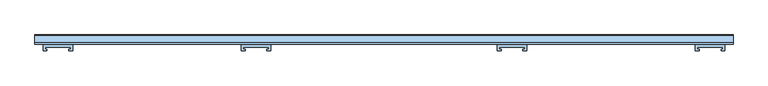
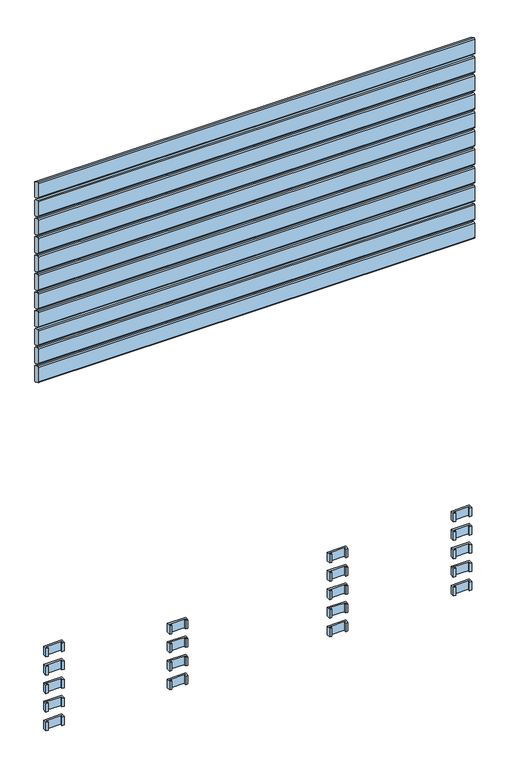
"""IFC4 building model written with IfcOpenShell, lengths in millimetres: window geometry."""

from ifc_helpers import new_model, si_unit, frame, origin, place, context, project, spatial, polyline, circle_curve, outline, extrude, source, transform, mapped, element, save
from ifc_brep_helpers import plane_surface, cylinder_surface, advanced_brep


def window_48d1b95b(model_context):
    return source(origin(), model_context, "Body", "SolidModel", [
        extrude(outline(polyline([(247.4063196, 112.1), (247.4063196, 107.9), (251.4063196, 107.9), (251.4063196, 104.1), (243.5, 104.1), (243.5, 118.0), (306.5, 118.0), (306.5, 104.1), (298.5936804, 104.1), (298.5936804, 107.9), (302.5936804, 107.9), (302.5936804, 112.1), (247.4063196, 112.1)])), frame((0.0, 0.0, 387.0), z_axis=(0.0, 0.0, 1.0), x_axis=(1.0, 0.0, 0.0)), (0.0, 0.0, 1.0), 31.0),
        extrude(outline(polyline([(-672.9063196, 112.1), (-728.0936804, 112.1), (-728.0936804, 107.9), (-724.0936804, 107.9), (-724.0936804, 104.1), (-732.0, 104.1), (-732.0, 118.0), (-669.0, 118.0), (-669.0, 104.1), (-676.9063196, 104.1), (-676.9063196, 107.9), (-672.9063196, 107.9), (-672.9063196, 112.1)])), frame((0.0, 0.0, 387.0), z_axis=(0.0, 0.0, 1.0), x_axis=(1.0, 0.0, 0.0)), (0.0, 0.0, 1.0), 31.0),
        extrude(outline(polyline([(672.9063196, 112.1), (672.9063196, 107.9), (676.9063196, 107.9), (676.9063196, 104.1), (669.0, 104.1), (669.0, 118.0), (732.0, 118.0), (732.0, 104.1), (724.0936804, 104.1), (724.0936804, 107.9), (728.0936804, 107.9), (728.0936804, 112.1), (672.9063196, 112.1)])), frame((0.0, 0.0, 387.0), z_axis=(0.0, 0.0, 1.0), x_axis=(1.0, 0.0, 0.0)), (0.0, 0.0, 1.0), 31.0),
        extrude(outline(polyline([(-302.5936804, 112.1), (-302.5936804, 107.9), (-298.5936804, 107.9), (-298.5936804, 104.1), (-306.5, 104.1), (-306.5, 118.0), (-243.5, 118.0), (-243.5, 104.1), (-251.4063196, 104.1), (-251.4063196, 107.9), (-247.4063196, 107.9), (-247.4063196, 112.1), (-302.5936804, 112.1)])), frame((0.0, 0.0, 320.0), z_axis=(0.0, 0.0, 1.0), x_axis=(1.0, 0.0, 0.0)), (0.0, 0.0, 1.0), 31.0),
        extrude(outline(polyline([(247.4063196, 112.1), (247.4063196, 107.9), (251.4063196, 107.9), (251.4063196, 104.1), (243.5, 104.1), (243.5, 118.0), (306.5, 118.0), (306.5, 104.1), (298.5936804, 104.1), (298.5936804, 107.9), (302.5936804, 107.9), (302.5936804, 112.1), (247.4063196, 112.1)])), frame((0.0, 0.0, 320.0), z_axis=(0.0, 0.0, 1.0), x_axis=(1.0, 0.0, 0.0)), (0.0, 0.0, 1.0), 31.0),
        extrude(outline(polyline([(-672.9063196, 112.1), (-728.0936804, 112.1), (-728.0936804, 107.9), (-724.0936804, 107.9), (-724.0936804, 104.1), (-732.0, 104.1), (-732.0, 118.0), (-669.0, 118.0), (-669.0, 104.1), (-676.9063196, 104.1), (-676.9063196, 107.9), (-672.9063196, 107.9), (-672.9063196, 112.1)])), frame((0.0, 0.0, 320.0), z_axis=(0.0, 0.0, 1.0), x_axis=(1.0, 0.0, 0.0)), (0.0, 0.0, 1.0), 31.0),
        extrude(outline(polyline([(672.9063196, 112.1), (672.9063196, 107.9), (676.9063196, 107.9), (676.9063196, 104.1), (669.0, 104.1), (669.0, 118.0), (732.0, 118.0), (732.0, 104.1), (724.0936804, 104.1), (724.0936804, 107.9), (728.0936804, 107.9), (728.0936804, 112.1), (672.9063196, 112.1)])), frame((0.0, 0.0, 320.0), z_axis=(0.0, 0.0, 1.0), x_axis=(1.0, 0.0, 0.0)), (0.0, 0.0, 1.0), 31.0),
        extrude(outline(polyline([(-302.5936804, 112.1), (-302.5936804, 107.9), (-298.5936804, 107.9), (-298.5936804, 104.1), (-306.5, 104.1), (-306.5, 118.0), (-243.5, 118.0), (-243.5, 104.1), (-251.4063196, 104.1), (-251.4063196, 107.9), (-247.4063196, 107.9), (-247.4063196, 112.1), (-302.5936804, 112.1)])), frame((0.0, 0.0, 253.0), z_axis=(0.0, 0.0, 1.0), x_axis=(1.0, 0.0, 0.0)), (0.0, 0.0, 1.0), 31.0),
        extrude(outline(polyline([(247.4063196, 112.1), (247.4063196, 107.9), (251.4063196, 107.9), (251.4063196, 104.1), (243.5, 104.1), (243.5, 118.0), (306.5, 118.0), (306.5, 104.1), (298.5936804, 104.1), (298.5936804, 107.9), (302.5936804, 107.9), (302.5936804, 112.1), (247.4063196, 112.1)])), frame((0.0, 0.0, 253.0), z_axis=(0.0, 0.0, 1.0), x_axis=(1.0, 0.0, 0.0)), (0.0, 0.0, 1.0), 31.0),
        extrude(outline(polyline([(-672.9063196, 112.1), (-728.0936804, 112.1), (-728.0936804, 107.9), (-724.0936804, 107.9), (-724.0936804, 104.1), (-732.0, 104.1), (-732.0, 118.0), (-669.0, 118.0), (-669.0, 104.1), (-676.9063196, 104.1), (-676.9063196, 107.9), (-672.9063196, 107.9), (-672.9063196, 112.1)])), frame((0.0, 0.0, 253.0), z_axis=(0.0, 0.0, 1.0), x_axis=(1.0, 0.0, 0.0)), (0.0, 0.0, 1.0), 31.0),
        extrude(outline(polyline([(672.9063196, 112.1), (672.9063196, 107.9), (676.9063196, 107.9), (676.9063196, 104.1), (669.0, 104.1), (669.0, 118.0), (732.0, 118.0), (732.0, 104.1), (724.0936804, 104.1), (724.0936804, 107.9), (728.0936804, 107.9), (728.0936804, 112.1), (672.9063196, 112.1)])), frame((0.0, 0.0, 253.0), z_axis=(0.0, 0.0, 1.0), x_axis=(1.0, 0.0, 0.0)), (0.0, 0.0, 1.0), 31.0),
        extrude(outline(polyline([(-302.5936804, 112.1), (-302.5936804, 107.9), (-298.5936804, 107.9), (-298.5936804, 104.1), (-306.5, 104.1), (-306.5, 118.0), (-243.5, 118.0), (-243.5, 104.1), (-251.4063196, 104.1), (-251.4063196, 107.9), (-247.4063196, 107.9), (-247.4063196, 112.1), (-302.5936804, 112.1)])), frame((0.0, 0.0, 186.0), z_axis=(0.0, 0.0, 1.0), x_axis=(1.0, 0.0, 0.0)), (0.0, 0.0, 1.0), 31.0),
        extrude(outline(polyline([(247.4063196, 112.1), (247.4063196, 107.9), (251.4063196, 107.9), (251.4063196, 104.1), (243.5, 104.1), (243.5, 118.0), (306.5, 118.0), (306.5, 104.1), (298.5936804, 104.1), (298.5936804, 107.9), (302.5936804, 107.9), (302.5936804, 112.1), (247.4063196, 112.1)])), frame((0.0, 0.0, 186.0), z_axis=(0.0, 0.0, 1.0), x_axis=(1.0, 0.0, 0.0)), (0.0, 0.0, 1.0), 31.0),
        extrude(outline(polyline([(-672.9063196, 112.1), (-728.0936804, 112.1), (-728.0936804, 107.9), (-724.0936804, 107.9), (-724.0936804, 104.1), (-732.0, 104.1), (-732.0, 118.0), (-669.0, 118.0), (-669.0, 104.1), (-676.9063196, 104.1), (-676.9063196, 107.9), (-672.9063196, 107.9), (-672.9063196, 112.1)])), frame((0.0, 0.0, 186.0), z_axis=(0.0, 0.0, 1.0), x_axis=(1.0, 0.0, 0.0)), (0.0, 0.0, 1.0), 31.0),
        extrude(outline(polyline([(672.9063196, 112.1), (672.9063196, 107.9), (676.9063196, 107.9), (676.9063196, 104.1), (669.0, 104.1), (669.0, 118.0), (732.0, 118.0), (732.0, 104.1), (724.0936804, 104.1), (724.0936804, 107.9), (728.0936804, 107.9), (728.0936804, 112.1), (672.9063196, 112.1)])), frame((0.0, 0.0, 186.0), z_axis=(0.0, 0.0, 1.0), x_axis=(1.0, 0.0, 0.0)), (0.0, 0.0, 1.0), 31.0),
        extrude(outline(polyline([(-302.5936804, 112.1), (-302.5936804, 107.9), (-298.5936804, 107.9), (-298.5936804, 104.1), (-306.5, 104.1), (-306.5, 118.0), (-243.5, 118.0), (-243.5, 104.1), (-251.4063196, 104.1), (-251.4063196, 107.9), (-247.4063196, 107.9), (-247.4063196, 112.1), (-302.5936804, 112.1)])), frame((0.0, 0.0, 118.0), z_axis=(0.0, 0.0, 1.0), x_axis=(1.0, 0.0, 0.0)), (0.0, 0.0, 1.0), 31.0),
        extrude(outline(polyline([(247.4063196, 112.1), (247.4063196, 107.9), (251.4063196, 107.9), (251.4063196, 104.1), (243.5, 104.1), (243.5, 118.0), (306.5, 118.0), (306.5, 104.1), (298.5936804, 104.1), (298.5936804, 107.9), (302.5936804, 107.9), (302.5936804, 112.1), (247.4063196, 112.1)])), frame((0.0, 0.0, 118.0), z_axis=(0.0, 0.0, 1.0), x_axis=(1.0, 0.0, 0.0)), (0.0, 0.0, 1.0), 31.0),
        extrude(outline(polyline([(-672.9063196, 112.1), (-728.0936804, 112.1), (-728.0936804, 107.9), (-724.0936804, 107.9), (-724.0936804, 104.1), (-732.0, 104.1), (-732.0, 118.0), (-669.0, 118.0), (-669.0, 104.1), (-676.9063196, 104.1), (-676.9063196, 107.9), (-672.9063196, 107.9), (-672.9063196, 112.1)])), frame((0.0, 0.0, 118.0), z_axis=(0.0, 0.0, 1.0), x_axis=(1.0, 0.0, 0.0)), (0.0, 0.0, 1.0), 31.0),
        extrude(outline(polyline([(672.9063196, 112.1), (672.9063196, 107.9), (676.9063196, 107.9), (676.9063196, 104.1), (669.0, 104.1), (669.0, 118.0), (732.0, 118.0), (732.0, 104.1), (724.0936804, 104.1), (724.0936804, 107.9), (728.0936804, 107.9), (728.0936804, 112.1), (672.9063196, 112.1)])), frame((0.0, 0.0, 118.0), z_axis=(0.0, 0.0, 1.0), x_axis=(1.0, 0.0, 0.0)), (0.0, 0.0, 1.0), 31.0),
        advanced_brep(
        [(750.0, 118.0028013, 2054.5270549), (750.0, 119.7349465, 2051.8081315), (750.0, 133.7322609, 2045.2810766), (750.0, 138.0, 2047.9736586), (750.0, 138.0, 2100.574129), (750.0, 136.9038327, 2102.8926244), (750.0, 122.1873858, 2109.7550163), (750.0, 118.0, 2107.0), (-750.0, 118.0, 2054.5270549), (-750.0, 118.0, 2107.0), (-750.0, 122.1873858, 2109.7550163), (-750.0, 136.9038327, 2102.8926244), (-750.0, 138.0, 2100.574129), (-750.0, 138.0, 2047.9736586), (-750.0, 133.7322609, 2045.2810766), (-750.0, 119.7349465, 2051.8081315)],
        [
            (0, 1, circle_curve(frame((750.0, 121.0028013, 2054.5270549), z_axis=(1.0, 0.0, 0.0), x_axis=(0.0, -0.422245314833475, -0.9064816016341312)), 3.0)),
            (1, 2),
            (2, 3, circle_curve(frame((750.0, 135.0001156, 2048.0), z_axis=(1.0, 0.0, 0.0), x_axis=(0.0, 1.0, 0.0)), 3.0)),
            (3, 4),
            (4, 5, circle_curve(frame((750.0, 135.0, 2100.574129), z_axis=(1.0, 0.0, 0.0), x_axis=(0.0, 0.4172998244673827, 0.908768868579625)), 3.0)),
            (5, 6),
            (6, 7, circle_curve(frame((750.0, 121.0, 2107.0), z_axis=(1.0, 0.0, 0.0), x_axis=(0.0, -1.0, 0.0)), 3.0)),
            (7, 0),
            (8, 9),
            (9, 10, circle_curve(frame((-750.0, 121.0, 2107.0), z_axis=(-1.0, 0.0, 0.0), x_axis=(0.0, -1.0, 0.0)), 3.0)),
            (10, 11),
            (11, 12, circle_curve(frame((-750.0, 135.0, 2100.574129), z_axis=(-1.0, 0.0, 0.0), x_axis=(0.0, 0.4172998244673827, 0.908768868579625)), 3.0)),
            (12, 13),
            (13, 14, circle_curve(frame((-750.0, 135.0001156, 2048.0), z_axis=(-1.0, 0.0, 0.0), x_axis=(0.0, 1.0, 0.0)), 3.0)),
            (14, 15),
            (15, 8, circle_curve(frame((-750.0, 121.0028013, 2054.5270549), z_axis=(-1.0, 0.0, 0.0), x_axis=(0.0, -0.422245314833475, -0.9064816016341312)), 3.0)),
            (0, 8),
            (15, 1),
            (14, 2),
            (13, 3),
            (12, 4),
            (11, 5),
            (10, 6),
            (9, 7),
        ],
        [
            plane_surface(frame((750.0, 100.0, 2077.5), z_axis=(1.0, 0.0, 0.0), x_axis=(0.0, 0.0, 1.0))),
            plane_surface(frame((-750.0, 100.0, 2077.5), z_axis=(-1.0, 0.0, 0.0), x_axis=(0.0, 0.0, 1.0))),
            cylinder_surface(frame((750.0, 121.0028013, 2054.5270549), z_axis=(1.0, 0.0, 0.0), x_axis=(0.0, -0.422245314833475, -0.9064816016341312)), 3.0),
            plane_surface(frame((750.0, 119.7349465, 2051.8081315), z_axis=(0.0, -0.4226182617407, -0.9063077870366497), x_axis=(-1.0, 0.0, 0.0))),
            cylinder_surface(frame((750.0, 135.0001156, 2048.0), z_axis=(1.0, 0.0, 0.0), x_axis=(0.0, 1.0, 0.0)), 3.0),
            plane_surface(frame((750.0, 138.0, 2047.9736586), z_axis=(0.0, 1.0, 0.0), x_axis=(-1.0, 0.0, 0.0))),
            cylinder_surface(frame((750.0, 135.0, 2100.574129), z_axis=(1.0000000000000002, 0.0, 0.0), x_axis=(0.0, 0.4172998244673827, 0.908768868579625)), 3.0),
            plane_surface(frame((750.0, 136.9038327, 2102.8926244), z_axis=(0.0, 0.4226182617406934, 0.9063077870366529), x_axis=(-1.0, 0.0, 0.0))),
            cylinder_surface(frame((750.0, 121.0, 2107.0), z_axis=(1.0, 0.0, 0.0), x_axis=(0.0, -1.0, 0.0)), 3.0),
            plane_surface(frame((750.0, 118.0, 2107.0), z_axis=(0.0, -1.0, 0.0), x_axis=(-1.0, 0.0, 0.0))),
        ],
        [
            (0, [[1, 2, 3, 4, 5, 6, 7, 8]]),
            (1, [[9, 10, 11, 12, 13, 14, 15, 16]]),
            (2, [[-1, 17, -16, 18]]),
            (3, [[-2, -18, -15, 19]]),
            (4, [[-3, -19, -14, 20]]),
            (5, [[-4, -20, -13, 21]]),
            (6, [[-5, -21, -12, 22]]),
            (7, [[-6, -22, -11, 23]]),
            (8, [[-7, -23, -10, 24]]),
            (9, [[-8, -24, -9, -17]]),
        ],
    ),
        advanced_brep(
        [(750.0, 118.0028013, 1987.5270549), (750.0, 119.7349465, 1984.8081315), (750.0, 133.7322609, 1978.2810766), (750.0, 138.0, 1980.9736586), (750.0, 138.0, 2033.574129), (750.0, 136.9038327, 2035.8926244), (750.0, 122.1873858, 2042.7550163), (750.0, 118.0, 2040.0), (-750.0, 118.0, 1987.5270549), (-750.0, 118.0, 2040.0), (-750.0, 122.1873858, 2042.7550163), (-750.0, 136.9038327, 2035.8926244), (-750.0, 138.0, 2033.574129), (-750.0, 138.0, 1980.9736586), (-750.0, 133.7322609, 1978.2810766), (-750.0, 119.7349465, 1984.8081315)],
        [
            (0, 1, circle_curve(frame((750.0, 121.0028013, 1987.5270549), z_axis=(1.0, 0.0, 0.0), x_axis=(0.0, -0.422245314833475, -0.9064816016341312)), 3.0)),
            (1, 2),
            (2, 3, circle_curve(frame((750.0, 135.0001156, 1981.0), z_axis=(1.0, 0.0, 0.0), x_axis=(0.0, 1.0, 0.0)), 3.0)),
            (3, 4),
            (4, 5, circle_curve(frame((750.0, 135.0, 2033.574129), z_axis=(1.0, 0.0, 0.0), x_axis=(0.0, 0.4172998244673827, 0.908768868579625)), 3.0)),
            (5, 6),
            (6, 7, circle_curve(frame((750.0, 121.0, 2040.0), z_axis=(1.0, 0.0, 0.0), x_axis=(0.0, -1.0, 0.0)), 3.0)),
            (7, 0),
            (8, 9),
            (9, 10, circle_curve(frame((-750.0, 121.0, 2040.0), z_axis=(-1.0, 0.0, 0.0), x_axis=(0.0, -1.0, 0.0)), 3.0)),
            (10, 11),
            (11, 12, circle_curve(frame((-750.0, 135.0, 2033.574129), z_axis=(-1.0, 0.0, 0.0), x_axis=(0.0, 0.4172998244673827, 0.908768868579625)), 3.0)),
            (12, 13),
            (13, 14, circle_curve(frame((-750.0, 135.0001156, 1981.0), z_axis=(-1.0, 0.0, 0.0), x_axis=(0.0, 1.0, 0.0)), 3.0)),
            (14, 15),
            (15, 8, circle_curve(frame((-750.0, 121.0028013, 1987.5270549), z_axis=(-1.0, 0.0, 0.0), x_axis=(0.0, -0.422245314833475, -0.9064816016341312)), 3.0)),
            (0, 8),
            (15, 1),
            (14, 2),
            (13, 3),
            (12, 4),
            (11, 5),
            (10, 6),
            (9, 7),
        ],
        [
            plane_surface(frame((750.0, 100.0, 2010.5), z_axis=(1.0, 0.0, 0.0), x_axis=(0.0, 0.0, 1.0))),
            plane_surface(frame((-750.0, 100.0, 2010.5), z_axis=(-1.0, 0.0, 0.0), x_axis=(0.0, 0.0, 1.0))),
            cylinder_surface(frame((750.0, 121.0028013, 1987.5270549), z_axis=(1.0, 0.0, 0.0), x_axis=(0.0, -0.422245314833475, -0.9064816016341312)), 3.0),
            plane_surface(frame((750.0, 119.7349465, 1984.8081315), z_axis=(0.0, -0.4226182617407, -0.9063077870366497), x_axis=(-1.0, 0.0, 0.0))),
            cylinder_surface(frame((750.0, 135.0001156, 1981.0), z_axis=(1.0, 0.0, 0.0), x_axis=(0.0, 1.0, 0.0)), 3.0),
            plane_surface(frame((750.0, 138.0, 1980.9736586), z_axis=(0.0, 1.0, 0.0), x_axis=(-1.0, 0.0, 0.0))),
            cylinder_surface(frame((750.0, 135.0, 2033.574129), z_axis=(1.0000000000000002, 0.0, 0.0), x_axis=(0.0, 0.4172998244673827, 0.908768868579625)), 3.0),
            plane_surface(frame((750.0, 136.9038327, 2035.8926244), z_axis=(0.0, 0.4226182617406934, 0.9063077870366529), x_axis=(-1.0, 0.0, 0.0))),
            cylinder_surface(frame((750.0, 121.0, 2040.0), z_axis=(1.0, 0.0, 0.0), x_axis=(0.0, -1.0, 0.0)), 3.0),
            plane_surface(frame((750.0, 118.0, 2040.0), z_axis=(0.0, -1.0, 0.0), x_axis=(-1.0, 0.0, 0.0))),
        ],
        [
            (0, [[1, 2, 3, 4, 5, 6, 7, 8]]),
            (1, [[9, 10, 11, 12, 13, 14, 15, 16]]),
            (2, [[-1, 17, -16, 18]]),
            (3, [[-2, -18, -15, 19]]),
            (4, [[-3, -19, -14, 20]]),
            (5, [[-4, -20, -13, 21]]),
            (6, [[-5, -21, -12, 22]]),
            (7, [[-6, -22, -11, 23]]),
            (8, [[-7, -23, -10, 24]]),
            (9, [[-8, -24, -9, -17]]),
        ],
    ),
        advanced_brep(
        [(750.0, 118.0028013, 1920.5270549), (750.0, 119.7349465, 1917.8081315), (750.0, 133.7322609, 1911.2810766), (750.0, 138.0, 1913.9736586), (750.0, 138.0, 1966.574129), (750.0, 136.9038327, 1968.8926244), (750.0, 122.1873858, 1975.7550163), (750.0, 118.0, 1973.0), (-750.0, 118.0, 1920.5270549), (-750.0, 118.0, 1973.0), (-750.0, 122.1873858, 1975.7550163), (-750.0, 136.9038327, 1968.8926244), (-750.0, 138.0, 1966.574129), (-750.0, 138.0, 1913.9736586), (-750.0, 133.7322609, 1911.2810766), (-750.0, 119.7349465, 1917.8081315)],
        [
            (0, 1, circle_curve(frame((750.0, 121.0028013, 1920.5270549), z_axis=(1.0, 0.0, 0.0), x_axis=(0.0, -0.422245314833475, -0.9064816016341312)), 3.0)),
            (1, 2),
            (2, 3, circle_curve(frame((750.0, 135.0001156, 1914.0), z_axis=(1.0, 0.0, 0.0), x_axis=(0.0, 1.0, 0.0)), 3.0)),
            (3, 4),
            (4, 5, circle_curve(frame((750.0, 135.0, 1966.574129), z_axis=(1.0, 0.0, 0.0), x_axis=(0.0, 0.4172998244673827, 0.908768868579625)), 3.0)),
            (5, 6),
            (6, 7, circle_curve(frame((750.0, 121.0, 1973.0), z_axis=(1.0, 0.0, 0.0), x_axis=(0.0, -1.0, 0.0)), 3.0)),
            (7, 0),
            (8, 9),
            (9, 10, circle_curve(frame((-750.0, 121.0, 1973.0), z_axis=(-1.0, 0.0, 0.0), x_axis=(0.0, -1.0, 0.0)), 3.0)),
            (10, 11),
            (11, 12, circle_curve(frame((-750.0, 135.0, 1966.574129), z_axis=(-1.0, 0.0, 0.0), x_axis=(0.0, 0.4172998244673827, 0.908768868579625)), 3.0)),
            (12, 13),
            (13, 14, circle_curve(frame((-750.0, 135.0001156, 1914.0), z_axis=(-1.0, 0.0, 0.0), x_axis=(0.0, 1.0, 0.0)), 3.0)),
            (14, 15),
            (15, 8, circle_curve(frame((-750.0, 121.0028013, 1920.5270549), z_axis=(-1.0, 0.0, 0.0), x_axis=(0.0, -0.422245314833475, -0.9064816016341312)), 3.0)),
            (0, 8),
            (15, 1),
            (14, 2),
            (13, 3),
            (12, 4),
            (11, 5),
            (10, 6),
            (9, 7),
        ],
        [
            plane_surface(frame((750.0, 100.0, 1943.5), z_axis=(1.0, 0.0, 0.0), x_axis=(0.0, 0.0, 1.0))),
            plane_surface(frame((-750.0, 100.0, 1943.5), z_axis=(-1.0, 0.0, 0.0), x_axis=(0.0, 0.0, 1.0))),
            cylinder_surface(frame((750.0, 121.0028013, 1920.5270549), z_axis=(1.0, 0.0, 0.0), x_axis=(0.0, -0.422245314833475, -0.9064816016341312)), 3.0),
            plane_surface(frame((750.0, 119.7349465, 1917.8081315), z_axis=(0.0, -0.4226182617407, -0.9063077870366497), x_axis=(-1.0, 0.0, 0.0))),
            cylinder_surface(frame((750.0, 135.0001156, 1914.0), z_axis=(1.0, 0.0, 0.0), x_axis=(0.0, 1.0, 0.0)), 3.0),
            plane_surface(frame((750.0, 138.0, 1913.9736586), z_axis=(0.0, 1.0, 0.0), x_axis=(-1.0, 0.0, 0.0))),
            cylinder_surface(frame((750.0, 135.0, 1966.574129), z_axis=(1.0000000000000002, 0.0, 0.0), x_axis=(0.0, 0.4172998244673827, 0.908768868579625)), 3.0),
            plane_surface(frame((750.0, 136.9038327, 1968.8926244), z_axis=(0.0, 0.4226182617406934, 0.9063077870366529), x_axis=(-1.0, 0.0, 0.0))),
            cylinder_surface(frame((750.0, 121.0, 1973.0), z_axis=(1.0, 0.0, 0.0), x_axis=(0.0, -1.0, 0.0)), 3.0),
            plane_surface(frame((750.0, 118.0, 1973.0), z_axis=(0.0, -1.0, 0.0), x_axis=(-1.0, 0.0, 0.0))),
        ],
        [
            (0, [[1, 2, 3, 4, 5, 6, 7, 8]]),
            (1, [[9, 10, 11, 12, 13, 14, 15, 16]]),
            (2, [[-1, 17, -16, 18]]),
            (3, [[-2, -18, -15, 19]]),
            (4, [[-3, -19, -14, 20]]),
            (5, [[-4, -20, -13, 21]]),
            (6, [[-5, -21, -12, 22]]),
            (7, [[-6, -22, -11, 23]]),
            (8, [[-7, -23, -10, 24]]),
            (9, [[-8, -24, -9, -17]]),
        ],
    ),
        advanced_brep(
        [(750.0, 118.0028013, 1853.5270549), (750.0, 119.7349465, 1850.8081315), (750.0, 133.7322609, 1844.2810766), (750.0, 138.0, 1846.9736586), (750.0, 138.0, 1899.574129), (750.0, 136.9038327, 1901.8926244), (750.0, 122.1873858, 1908.7550163), (750.0, 118.0, 1906.0), (-750.0, 118.0, 1853.5270549), (-750.0, 118.0, 1906.0), (-750.0, 122.1873858, 1908.7550163), (-750.0, 136.9038327, 1901.8926244), (-750.0, 138.0, 1899.574129), (-750.0, 138.0, 1846.9736586), (-750.0, 133.7322609, 1844.2810766), (-750.0, 119.7349465, 1850.8081315)],
        [
            (0, 1, circle_curve(frame((750.0, 121.0028013, 1853.5270549), z_axis=(1.0, 0.0, 0.0), x_axis=(0.0, -0.422245314833475, -0.9064816016341312)), 3.0)),
            (1, 2),
            (2, 3, circle_curve(frame((750.0, 135.0001156, 1847.0), z_axis=(1.0, 0.0, 0.0), x_axis=(0.0, 1.0, 0.0)), 3.0)),
            (3, 4),
            (4, 5, circle_curve(frame((750.0, 135.0, 1899.574129), z_axis=(1.0, 0.0, 0.0), x_axis=(0.0, 0.4172998244673827, 0.908768868579625)), 3.0)),
            (5, 6),
            (6, 7, circle_curve(frame((750.0, 121.0, 1906.0), z_axis=(1.0, 0.0, 0.0), x_axis=(0.0, -1.0, 0.0)), 3.0)),
            (7, 0),
            (8, 9),
            (9, 10, circle_curve(frame((-750.0, 121.0, 1906.0), z_axis=(-1.0, 0.0, 0.0), x_axis=(0.0, -1.0, 0.0)), 3.0)),
            (10, 11),
            (11, 12, circle_curve(frame((-750.0, 135.0, 1899.574129), z_axis=(-1.0, 0.0, 0.0), x_axis=(0.0, 0.4172998244673827, 0.908768868579625)), 3.0)),
            (12, 13),
            (13, 14, circle_curve(frame((-750.0, 135.0001156, 1847.0), z_axis=(-1.0, 0.0, 0.0), x_axis=(0.0, 1.0, 0.0)), 3.0)),
            (14, 15),
            (15, 8, circle_curve(frame((-750.0, 121.0028013, 1853.5270549), z_axis=(-1.0, 0.0, 0.0), x_axis=(0.0, -0.422245314833475, -0.9064816016341312)), 3.0)),
            (0, 8),
            (15, 1),
            (14, 2),
            (13, 3),
            (12, 4),
            (11, 5),
            (10, 6),
            (9, 7),
        ],
        [
            plane_surface(frame((750.0, 100.0, 1876.5), z_axis=(1.0, 0.0, 0.0), x_axis=(0.0, 0.0, 1.0))),
            plane_surface(frame((-750.0, 100.0, 1876.5), z_axis=(-1.0, 0.0, 0.0), x_axis=(0.0, 0.0, 1.0))),
            cylinder_surface(frame((750.0, 121.0028013, 1853.5270549), z_axis=(1.0, 0.0, 0.0), x_axis=(0.0, -0.422245314833475, -0.9064816016341312)), 3.0),
            plane_surface(frame((750.0, 119.7349465, 1850.8081315), z_axis=(0.0, -0.4226182617407, -0.9063077870366497), x_axis=(-1.0, 0.0, 0.0))),
            cylinder_surface(frame((750.0, 135.0001156, 1847.0), z_axis=(1.0, 0.0, 0.0), x_axis=(0.0, 1.0, 0.0)), 3.0),
            plane_surface(frame((750.0, 138.0, 1846.9736586), z_axis=(0.0, 1.0, 0.0), x_axis=(-1.0, 0.0, 0.0))),
            cylinder_surface(frame((750.0, 135.0, 1899.574129), z_axis=(1.0000000000000002, 0.0, 0.0), x_axis=(0.0, 0.4172998244673827, 0.908768868579625)), 3.0),
            plane_surface(frame((750.0, 136.9038327, 1901.8926244), z_axis=(0.0, 0.4226182617406934, 0.9063077870366529), x_axis=(-1.0, 0.0, 0.0))),
            cylinder_surface(frame((750.0, 121.0, 1906.0), z_axis=(1.0, 0.0, 0.0), x_axis=(0.0, -1.0, 0.0)), 3.0),
            plane_surface(frame((750.0, 118.0, 1906.0), z_axis=(0.0, -1.0, 0.0), x_axis=(-1.0, 0.0, 0.0))),
        ],
        [
            (0, [[1, 2, 3, 4, 5, 6, 7, 8]]),
            (1, [[9, 10, 11, 12, 13, 14, 15, 16]]),
            (2, [[-1, 17, -16, 18]]),
            (3, [[-2, -18, -15, 19]]),
            (4, [[-3, -19, -14, 20]]),
            (5, [[-4, -20, -13, 21]]),
            (6, [[-5, -21, -12, 22]]),
            (7, [[-6, -22, -11, 23]]),
            (8, [[-7, -23, -10, 24]]),
            (9, [[-8, -24, -9, -17]]),
        ],
    ),
        advanced_brep(
        [(750.0, 118.0028013, 1786.5270549), (750.0, 119.7349465, 1783.8081315), (750.0, 133.7322609, 1777.2810766), (750.0, 138.0, 1779.9736586), (750.0, 138.0, 1832.574129), (750.0, 136.9038327, 1834.8926244), (750.0, 122.1873858, 1841.7550163), (750.0, 118.0, 1839.0), (-750.0, 118.0, 1786.5270549), (-750.0, 118.0, 1839.0), (-750.0, 122.1873858, 1841.7550163), (-750.0, 136.9038327, 1834.8926244), (-750.0, 138.0, 1832.574129), (-750.0, 138.0, 1779.9736586), (-750.0, 133.7322609, 1777.2810766), (-750.0, 119.7349465, 1783.8081315)],
        [
            (0, 1, circle_curve(frame((750.0, 121.0028013, 1786.5270549), z_axis=(1.0, 0.0, 0.0), x_axis=(0.0, -0.422245314833475, -0.9064816016341312)), 3.0)),
            (1, 2),
            (2, 3, circle_curve(frame((750.0, 135.0001156, 1780.0), z_axis=(1.0, 0.0, 0.0), x_axis=(0.0, 1.0, 0.0)), 3.0)),
            (3, 4),
            (4, 5, circle_curve(frame((750.0, 135.0, 1832.574129), z_axis=(1.0, 0.0, 0.0), x_axis=(0.0, 0.4172998244673827, 0.908768868579625)), 3.0)),
            (5, 6),
            (6, 7, circle_curve(frame((750.0, 121.0, 1839.0), z_axis=(1.0, 0.0, 0.0), x_axis=(0.0, -1.0, 0.0)), 3.0)),
            (7, 0),
            (8, 9),
            (9, 10, circle_curve(frame((-750.0, 121.0, 1839.0), z_axis=(-1.0, 0.0, 0.0), x_axis=(0.0, -1.0, 0.0)), 3.0)),
            (10, 11),
            (11, 12, circle_curve(frame((-750.0, 135.0, 1832.574129), z_axis=(-1.0, 0.0, 0.0), x_axis=(0.0, 0.4172998244673827, 0.908768868579625)), 3.0)),
            (12, 13),
            (13, 14, circle_curve(frame((-750.0, 135.0001156, 1780.0), z_axis=(-1.0, 0.0, 0.0), x_axis=(0.0, 1.0, 0.0)), 3.0)),
            (14, 15),
            (15, 8, circle_curve(frame((-750.0, 121.0028013, 1786.5270549), z_axis=(-1.0, 0.0, 0.0), x_axis=(0.0, -0.422245314833475, -0.9064816016341312)), 3.0)),
            (0, 8),
            (15, 1),
            (14, 2),
            (13, 3),
            (12, 4),
            (11, 5),
            (10, 6),
            (9, 7),
        ],
        [
            plane_surface(frame((750.0, 100.0, 1809.5), z_axis=(1.0, 0.0, 0.0), x_axis=(0.0, 0.0, 1.0))),
            plane_surface(frame((-750.0, 100.0, 1809.5), z_axis=(-1.0, 0.0, 0.0), x_axis=(0.0, 0.0, 1.0))),
            cylinder_surface(frame((750.0, 121.0028013, 1786.5270549), z_axis=(1.0, 0.0, 0.0), x_axis=(0.0, -0.422245314833475, -0.9064816016341312)), 3.0),
            plane_surface(frame((750.0, 119.7349465, 1783.8081315), z_axis=(0.0, -0.4226182617407, -0.9063077870366497), x_axis=(-1.0, 0.0, 0.0))),
            cylinder_surface(frame((750.0, 135.0001156, 1780.0), z_axis=(1.0, 0.0, 0.0), x_axis=(0.0, 1.0, 0.0)), 3.0),
            plane_surface(frame((750.0, 138.0, 1779.9736586), z_axis=(0.0, 1.0, 0.0), x_axis=(-1.0, 0.0, 0.0))),
            cylinder_surface(frame((750.0, 135.0, 1832.574129), z_axis=(1.0000000000000002, 0.0, 0.0), x_axis=(0.0, 0.4172998244673827, 0.908768868579625)), 3.0),
            plane_surface(frame((750.0, 136.9038327, 1834.8926244), z_axis=(0.0, 0.4226182617406934, 0.9063077870366529), x_axis=(-1.0, 0.0, 0.0))),
            cylinder_surface(frame((750.0, 121.0, 1839.0), z_axis=(1.0, 0.0, 0.0), x_axis=(0.0, -1.0, 0.0)), 3.0),
            plane_surface(frame((750.0, 118.0, 1839.0), z_axis=(0.0, -1.0, 0.0), x_axis=(-1.0, 0.0, 0.0))),
        ],
        [
            (0, [[1, 2, 3, 4, 5, 6, 7, 8]]),
            (1, [[9, 10, 11, 12, 13, 14, 15, 16]]),
            (2, [[-1, 17, -16, 18]]),
            (3, [[-2, -18, -15, 19]]),
            (4, [[-3, -19, -14, 20]]),
            (5, [[-4, -20, -13, 21]]),
            (6, [[-5, -21, -12, 22]]),
            (7, [[-6, -22, -11, 23]]),
            (8, [[-7, -23, -10, 24]]),
            (9, [[-8, -24, -9, -17]]),
        ],
    ),
        advanced_brep(
        [(750.0, 118.0028013, 1719.5270549), (750.0, 119.7349465, 1716.8081315), (750.0, 133.7322609, 1710.2810766), (750.0, 138.0, 1712.9736586), (750.0, 138.0, 1765.574129), (750.0, 136.9038327, 1767.8926244), (750.0, 122.1873858, 1774.7550163), (750.0, 118.0, 1772.0), (-750.0, 118.0, 1719.5270549), (-750.0, 118.0, 1772.0), (-750.0, 122.1873858, 1774.7550163), (-750.0, 136.9038327, 1767.8926244), (-750.0, 138.0, 1765.574129), (-750.0, 138.0, 1712.9736586), (-750.0, 133.7322609, 1710.2810766), (-750.0, 119.7349465, 1716.8081315)],
        [
            (0, 1, circle_curve(frame((750.0, 121.0028013, 1719.5270549), z_axis=(1.0, 0.0, 0.0), x_axis=(0.0, -0.422245314833475, -0.9064816016341312)), 3.0)),
            (1, 2),
            (2, 3, circle_curve(frame((750.0, 135.0001156, 1713.0), z_axis=(1.0, 0.0, 0.0), x_axis=(0.0, 1.0, 0.0)), 3.0)),
            (3, 4),
            (4, 5, circle_curve(frame((750.0, 135.0, 1765.574129), z_axis=(1.0, 0.0, 0.0), x_axis=(0.0, 0.4172998244673827, 0.908768868579625)), 3.0)),
            (5, 6),
            (6, 7, circle_curve(frame((750.0, 121.0, 1772.0), z_axis=(1.0, 0.0, 0.0), x_axis=(0.0, -1.0, 0.0)), 3.0)),
            (7, 0),
            (8, 9),
            (9, 10, circle_curve(frame((-750.0, 121.0, 1772.0), z_axis=(-1.0, 0.0, 0.0), x_axis=(0.0, -1.0, 0.0)), 3.0)),
            (10, 11),
            (11, 12, circle_curve(frame((-750.0, 135.0, 1765.574129), z_axis=(-1.0, 0.0, 0.0), x_axis=(0.0, 0.4172998244673827, 0.908768868579625)), 3.0)),
            (12, 13),
            (13, 14, circle_curve(frame((-750.0, 135.0001156, 1713.0), z_axis=(-1.0, 0.0, 0.0), x_axis=(0.0, 1.0, 0.0)), 3.0)),
            (14, 15),
            (15, 8, circle_curve(frame((-750.0, 121.0028013, 1719.5270549), z_axis=(-1.0, 0.0, 0.0), x_axis=(0.0, -0.422245314833475, -0.9064816016341312)), 3.0)),
            (0, 8),
            (15, 1),
            (14, 2),
            (13, 3),
            (12, 4),
            (11, 5),
            (10, 6),
            (9, 7),
        ],
        [
            plane_surface(frame((750.0, 100.0, 1742.5), z_axis=(1.0, 0.0, 0.0), x_axis=(0.0, 0.0, 1.0))),
            plane_surface(frame((-750.0, 100.0, 1742.5), z_axis=(-1.0, 0.0, 0.0), x_axis=(0.0, 0.0, 1.0))),
            cylinder_surface(frame((750.0, 121.0028013, 1719.5270549), z_axis=(1.0, 0.0, 0.0), x_axis=(0.0, -0.422245314833475, -0.9064816016341312)), 3.0),
            plane_surface(frame((750.0, 119.7349465, 1716.8081315), z_axis=(0.0, -0.4226182617407, -0.9063077870366497), x_axis=(-1.0, 0.0, 0.0))),
            cylinder_surface(frame((750.0, 135.0001156, 1713.0), z_axis=(1.0, 0.0, 0.0), x_axis=(0.0, 1.0, 0.0)), 3.0),
            plane_surface(frame((750.0, 138.0, 1712.9736586), z_axis=(0.0, 1.0, 0.0), x_axis=(-1.0, 0.0, 0.0))),
            cylinder_surface(frame((750.0, 135.0, 1765.574129), z_axis=(1.0000000000000002, 0.0, 0.0), x_axis=(0.0, 0.4172998244673827, 0.908768868579625)), 3.0),
            plane_surface(frame((750.0, 136.9038327, 1767.8926244), z_axis=(0.0, 0.4226182617406934, 0.9063077870366529), x_axis=(-1.0, 0.0, 0.0))),
            cylinder_surface(frame((750.0, 121.0, 1772.0), z_axis=(1.0, 0.0, 0.0), x_axis=(0.0, -1.0, 0.0)), 3.0),
            plane_surface(frame((750.0, 118.0, 1772.0), z_axis=(0.0, -1.0, 0.0), x_axis=(-1.0, 0.0, 0.0))),
        ],
        [
            (0, [[1, 2, 3, 4, 5, 6, 7, 8]]),
            (1, [[9, 10, 11, 12, 13, 14, 15, 16]]),
            (2, [[-1, 17, -16, 18]]),
            (3, [[-2, -18, -15, 19]]),
            (4, [[-3, -19, -14, 20]]),
            (5, [[-4, -20, -13, 21]]),
            (6, [[-5, -21, -12, 22]]),
            (7, [[-6, -22, -11, 23]]),
            (8, [[-7, -23, -10, 24]]),
            (9, [[-8, -24, -9, -17]]),
        ],
    ),
        advanced_brep(
        [(750.0, 118.0028013, 1652.5270549), (750.0, 119.7349465, 1649.8081315), (750.0, 133.7322609, 1643.2810766), (750.0, 138.0, 1645.9736586), (750.0, 138.0, 1698.574129), (750.0, 136.9038327, 1700.8926244), (750.0, 122.1873858, 1707.7550163), (750.0, 118.0, 1705.0), (-750.0, 118.0, 1652.5270549), (-750.0, 118.0, 1705.0), (-750.0, 122.1873858, 1707.7550163), (-750.0, 136.9038327, 1700.8926244), (-750.0, 138.0, 1698.574129), (-750.0, 138.0, 1645.9736586), (-750.0, 133.7322609, 1643.2810766), (-750.0, 119.7349465, 1649.8081315)],
        [
            (0, 1, circle_curve(frame((750.0, 121.0028013, 1652.5270549), z_axis=(1.0, 0.0, 0.0), x_axis=(0.0, -0.422245314833475, -0.9064816016341312)), 3.0)),
            (1, 2),
            (2, 3, circle_curve(frame((750.0, 135.0001156, 1646.0), z_axis=(1.0, 0.0, 0.0), x_axis=(0.0, 1.0, 0.0)), 3.0)),
            (3, 4),
            (4, 5, circle_curve(frame((750.0, 135.0, 1698.574129), z_axis=(1.0, 0.0, 0.0), x_axis=(0.0, 0.4172998244673827, 0.908768868579625)), 3.0)),
            (5, 6),
            (6, 7, circle_curve(frame((750.0, 121.0, 1705.0), z_axis=(1.0, 0.0, 0.0), x_axis=(0.0, -1.0, 0.0)), 3.0)),
            (7, 0),
            (8, 9),
            (9, 10, circle_curve(frame((-750.0, 121.0, 1705.0), z_axis=(-1.0, 0.0, 0.0), x_axis=(0.0, -1.0, 0.0)), 3.0)),
            (10, 11),
            (11, 12, circle_curve(frame((-750.0, 135.0, 1698.574129), z_axis=(-1.0, 0.0, 0.0), x_axis=(0.0, 0.4172998244673827, 0.908768868579625)), 3.0)),
            (12, 13),
            (13, 14, circle_curve(frame((-750.0, 135.0001156, 1646.0), z_axis=(-1.0, 0.0, 0.0), x_axis=(0.0, 1.0, 0.0)), 3.0)),
            (14, 15),
            (15, 8, circle_curve(frame((-750.0, 121.0028013, 1652.5270549), z_axis=(-1.0, 0.0, 0.0), x_axis=(0.0, -0.422245314833475, -0.9064816016341312)), 3.0)),
            (0, 8),
            (15, 1),
            (14, 2),
            (13, 3),
            (12, 4),
            (11, 5),
            (10, 6),
            (9, 7),
        ],
        [
            plane_surface(frame((750.0, 100.0, 1675.5), z_axis=(1.0, 0.0, 0.0), x_axis=(0.0, 0.0, 1.0))),
            plane_surface(frame((-750.0, 100.0, 1675.5), z_axis=(-1.0, 0.0, 0.0), x_axis=(0.0, 0.0, 1.0))),
            cylinder_surface(frame((750.0, 121.0028013, 1652.5270549), z_axis=(1.0, 0.0, 0.0), x_axis=(0.0, -0.422245314833475, -0.9064816016341312)), 3.0),
            plane_surface(frame((750.0, 119.7349465, 1649.8081315), z_axis=(0.0, -0.4226182617407, -0.9063077870366497), x_axis=(-1.0, 0.0, 0.0))),
            cylinder_surface(frame((750.0, 135.0001156, 1646.0), z_axis=(1.0, 0.0, 0.0), x_axis=(0.0, 1.0, 0.0)), 3.0),
            plane_surface(frame((750.0, 138.0, 1645.9736586), z_axis=(0.0, 1.0, 0.0), x_axis=(-1.0, 0.0, 0.0))),
            cylinder_surface(frame((750.0, 135.0, 1698.574129), z_axis=(1.0000000000000002, 0.0, 0.0), x_axis=(0.0, 0.4172998244673827, 0.908768868579625)), 3.0),
            plane_surface(frame((750.0, 136.9038327, 1700.8926244), z_axis=(0.0, 0.4226182617406934, 0.9063077870366529), x_axis=(-1.0, 0.0, 0.0))),
            cylinder_surface(frame((750.0, 121.0, 1705.0), z_axis=(1.0, 0.0, 0.0), x_axis=(0.0, -1.0, 0.0)), 3.0),
            plane_surface(frame((750.0, 118.0, 1705.0), z_axis=(0.0, -1.0, 0.0), x_axis=(-1.0, 0.0, 0.0))),
        ],
        [
            (0, [[1, 2, 3, 4, 5, 6, 7, 8]]),
            (1, [[9, 10, 11, 12, 13, 14, 15, 16]]),
            (2, [[-1, 17, -16, 18]]),
            (3, [[-2, -18, -15, 19]]),
            (4, [[-3, -19, -14, 20]]),
            (5, [[-4, -20, -13, 21]]),
            (6, [[-5, -21, -12, 22]]),
            (7, [[-6, -22, -11, 23]]),
            (8, [[-7, -23, -10, 24]]),
            (9, [[-8, -24, -9, -17]]),
        ],
    ),
        advanced_brep(
        [(750.0, 118.0028013, 1585.5270549), (750.0, 119.7349465, 1582.8081315), (750.0, 133.7322609, 1576.2810766), (750.0, 138.0, 1578.9736586), (750.0, 138.0, 1631.574129), (750.0, 136.9038327, 1633.8926244), (750.0, 122.1873858, 1640.7550163), (750.0, 118.0, 1638.0), (-750.0, 118.0, 1585.5270549), (-750.0, 118.0, 1638.0), (-750.0, 122.1873858, 1640.7550163), (-750.0, 136.9038327, 1633.8926244), (-750.0, 138.0, 1631.574129), (-750.0, 138.0, 1578.9736586), (-750.0, 133.7322609, 1576.2810766), (-750.0, 119.7349465, 1582.8081315)],
        [
            (0, 1, circle_curve(frame((750.0, 121.0028013, 1585.5270549), z_axis=(1.0, 0.0, 0.0), x_axis=(0.0, -0.422245314833475, -0.9064816016341312)), 3.0)),
            (1, 2),
            (2, 3, circle_curve(frame((750.0, 135.0001156, 1579.0), z_axis=(1.0, 0.0, 0.0), x_axis=(0.0, 1.0, 0.0)), 3.0)),
            (3, 4),
            (4, 5, circle_curve(frame((750.0, 135.0, 1631.574129), z_axis=(1.0, 0.0, 0.0), x_axis=(0.0, 0.4172998244673827, 0.908768868579625)), 3.0)),
            (5, 6),
            (6, 7, circle_curve(frame((750.0, 121.0, 1638.0), z_axis=(1.0, 0.0, 0.0), x_axis=(0.0, -1.0, 0.0)), 3.0)),
            (7, 0),
            (8, 9),
            (9, 10, circle_curve(frame((-750.0, 121.0, 1638.0), z_axis=(-1.0, 0.0, 0.0), x_axis=(0.0, -1.0, 0.0)), 3.0)),
            (10, 11),
            (11, 12, circle_curve(frame((-750.0, 135.0, 1631.574129), z_axis=(-1.0, 0.0, 0.0), x_axis=(0.0, 0.4172998244673827, 0.908768868579625)), 3.0)),
            (12, 13),
            (13, 14, circle_curve(frame((-750.0, 135.0001156, 1579.0), z_axis=(-1.0, 0.0, 0.0), x_axis=(0.0, 1.0, 0.0)), 3.0)),
            (14, 15),
            (15, 8, circle_curve(frame((-750.0, 121.0028013, 1585.5270549), z_axis=(-1.0, 0.0, 0.0), x_axis=(0.0, -0.422245314833475, -0.9064816016341312)), 3.0)),
            (0, 8),
            (15, 1),
            (14, 2),
            (13, 3),
            (12, 4),
            (11, 5),
            (10, 6),
            (9, 7),
        ],
        [
            plane_surface(frame((750.0, 100.0, 1608.5), z_axis=(1.0, 0.0, 0.0), x_axis=(0.0, 0.0, 1.0))),
            plane_surface(frame((-750.0, 100.0, 1608.5), z_axis=(-1.0, 0.0, 0.0), x_axis=(0.0, 0.0, 1.0))),
            cylinder_surface(frame((750.0, 121.0028013, 1585.5270549), z_axis=(1.0, 0.0, 0.0), x_axis=(0.0, -0.422245314833475, -0.9064816016341312)), 3.0),
            plane_surface(frame((750.0, 119.7349465, 1582.8081315), z_axis=(0.0, -0.4226182617407, -0.9063077870366497), x_axis=(-1.0, 0.0, 0.0))),
            cylinder_surface(frame((750.0, 135.0001156, 1579.0), z_axis=(1.0, 0.0, 0.0), x_axis=(0.0, 1.0, 0.0)), 3.0),
            plane_surface(frame((750.0, 138.0, 1578.9736586), z_axis=(0.0, 1.0, 0.0), x_axis=(-1.0, 0.0, 0.0))),
            cylinder_surface(frame((750.0, 135.0, 1631.574129), z_axis=(1.0000000000000002, 0.0, 0.0), x_axis=(0.0, 0.4172998244673827, 0.908768868579625)), 3.0),
            plane_surface(frame((750.0, 136.9038327, 1633.8926244), z_axis=(0.0, 0.4226182617406934, 0.9063077870366529), x_axis=(-1.0, 0.0, 0.0))),
            cylinder_surface(frame((750.0, 121.0, 1638.0), z_axis=(1.0, 0.0, 0.0), x_axis=(0.0, -1.0, 0.0)), 3.0),
            plane_surface(frame((750.0, 118.0, 1638.0), z_axis=(0.0, -1.0, 0.0), x_axis=(-1.0, 0.0, 0.0))),
        ],
        [
            (0, [[1, 2, 3, 4, 5, 6, 7, 8]]),
            (1, [[9, 10, 11, 12, 13, 14, 15, 16]]),
            (2, [[-1, 17, -16, 18]]),
            (3, [[-2, -18, -15, 19]]),
            (4, [[-3, -19, -14, 20]]),
            (5, [[-4, -20, -13, 21]]),
            (6, [[-5, -21, -12, 22]]),
            (7, [[-6, -22, -11, 23]]),
            (8, [[-7, -23, -10, 24]]),
            (9, [[-8, -24, -9, -17]]),
        ],
    ),
        advanced_brep(
        [(750.0, 118.0028013, 1518.5270549), (750.0, 119.7349465, 1515.8081315), (750.0, 133.7322609, 1509.2810766), (750.0, 138.0, 1511.9736586), (750.0, 138.0, 1564.574129), (750.0, 136.9038327, 1566.8926244), (750.0, 122.1873858, 1573.7550163), (750.0, 118.0, 1571.0), (-750.0, 118.0, 1518.5270549), (-750.0, 118.0, 1571.0), (-750.0, 122.1873858, 1573.7550163), (-750.0, 136.9038327, 1566.8926244), (-750.0, 138.0, 1564.574129), (-750.0, 138.0, 1511.9736586), (-750.0, 133.7322609, 1509.2810766), (-750.0, 119.7349465, 1515.8081315)],
        [
            (0, 1, circle_curve(frame((750.0, 121.0028013, 1518.5270549), z_axis=(1.0, 0.0, 0.0), x_axis=(0.0, -0.422245314833475, -0.9064816016341312)), 3.0)),
            (1, 2),
            (2, 3, circle_curve(frame((750.0, 135.0001156, 1512.0), z_axis=(1.0, 0.0, 0.0), x_axis=(0.0, 1.0, 0.0)), 3.0)),
            (3, 4),
            (4, 5, circle_curve(frame((750.0, 135.0, 1564.574129), z_axis=(1.0, 0.0, 0.0), x_axis=(0.0, 0.4172998244673827, 0.908768868579625)), 3.0)),
            (5, 6),
            (6, 7, circle_curve(frame((750.0, 121.0, 1571.0), z_axis=(1.0, 0.0, 0.0), x_axis=(0.0, -1.0, 0.0)), 3.0)),
            (7, 0),
            (8, 9),
            (9, 10, circle_curve(frame((-750.0, 121.0, 1571.0), z_axis=(-1.0, 0.0, 0.0), x_axis=(0.0, -1.0, 0.0)), 3.0)),
            (10, 11),
            (11, 12, circle_curve(frame((-750.0, 135.0, 1564.574129), z_axis=(-1.0, 0.0, 0.0), x_axis=(0.0, 0.4172998244673827, 0.908768868579625)), 3.0)),
            (12, 13),
            (13, 14, circle_curve(frame((-750.0, 135.0001156, 1512.0), z_axis=(-1.0, 0.0, 0.0), x_axis=(0.0, 1.0, 0.0)), 3.0)),
            (14, 15),
            (15, 8, circle_curve(frame((-750.0, 121.0028013, 1518.5270549), z_axis=(-1.0, 0.0, 0.0), x_axis=(0.0, -0.422245314833475, -0.9064816016341312)), 3.0)),
            (0, 8),
            (15, 1),
            (14, 2),
            (13, 3),
            (12, 4),
            (11, 5),
            (10, 6),
            (9, 7),
        ],
        [
            plane_surface(frame((750.0, 100.0, 1541.5), z_axis=(1.0, 0.0, 0.0), x_axis=(0.0, 0.0, 1.0))),
            plane_surface(frame((-750.0, 100.0, 1541.5), z_axis=(-1.0, 0.0, 0.0), x_axis=(0.0, 0.0, 1.0))),
            cylinder_surface(frame((750.0, 121.0028013, 1518.5270549), z_axis=(1.0, 0.0, 0.0), x_axis=(0.0, -0.422245314833475, -0.9064816016341312)), 3.0),
            plane_surface(frame((750.0, 119.7349465, 1515.8081315), z_axis=(0.0, -0.4226182617407, -0.9063077870366497), x_axis=(-1.0, 0.0, 0.0))),
            cylinder_surface(frame((750.0, 135.0001156, 1512.0), z_axis=(1.0, 0.0, 0.0), x_axis=(0.0, 1.0, 0.0)), 3.0),
            plane_surface(frame((750.0, 138.0, 1511.9736586), z_axis=(0.0, 1.0, 0.0), x_axis=(-1.0, 0.0, 0.0))),
            cylinder_surface(frame((750.0, 135.0, 1564.574129), z_axis=(1.0000000000000002, 0.0, 0.0), x_axis=(0.0, 0.4172998244673827, 0.908768868579625)), 3.0),
            plane_surface(frame((750.0, 136.9038327, 1566.8926244), z_axis=(0.0, 0.4226182617406934, 0.9063077870366529), x_axis=(-1.0, 0.0, 0.0))),
            cylinder_surface(frame((750.0, 121.0, 1571.0), z_axis=(1.0, 0.0, 0.0), x_axis=(0.0, -1.0, 0.0)), 3.0),
            plane_surface(frame((750.0, 118.0, 1571.0), z_axis=(0.0, -1.0, 0.0), x_axis=(-1.0, 0.0, 0.0))),
        ],
        [
            (0, [[1, 2, 3, 4, 5, 6, 7, 8]]),
            (1, [[9, 10, 11, 12, 13, 14, 15, 16]]),
            (2, [[-1, 17, -16, 18]]),
            (3, [[-2, -18, -15, 19]]),
            (4, [[-3, -19, -14, 20]]),
            (5, [[-4, -20, -13, 21]]),
            (6, [[-5, -21, -12, 22]]),
            (7, [[-6, -22, -11, 23]]),
            (8, [[-7, -23, -10, 24]]),
            (9, [[-8, -24, -9, -17]]),
        ],
    ),
        advanced_brep(
        [(750.0, 118.0028013, 1451.5270549), (750.0, 119.7349465, 1448.8081315), (750.0, 133.7322609, 1442.2810766), (750.0, 138.0, 1444.9736586), (750.0, 138.0, 1497.574129), (750.0, 136.9038327, 1499.8926244), (750.0, 122.1873858, 1506.7550163), (750.0, 118.0, 1504.0), (-750.0, 118.0, 1451.5270549), (-750.0, 118.0, 1504.0), (-750.0, 122.1873858, 1506.7550163), (-750.0, 136.9038327, 1499.8926244), (-750.0, 138.0, 1497.574129), (-750.0, 138.0, 1444.9736586), (-750.0, 133.7322609, 1442.2810766), (-750.0, 119.7349465, 1448.8081315)],
        [
            (0, 1, circle_curve(frame((750.0, 121.0028013, 1451.5270549), z_axis=(1.0, 0.0, 0.0), x_axis=(0.0, -0.422245314833475, -0.9064816016341312)), 3.0)),
            (1, 2),
            (2, 3, circle_curve(frame((750.0, 135.0001156, 1445.0), z_axis=(1.0, 0.0, 0.0), x_axis=(0.0, 1.0, 0.0)), 3.0)),
            (3, 4),
            (4, 5, circle_curve(frame((750.0, 135.0, 1497.574129), z_axis=(1.0, 0.0, 0.0), x_axis=(0.0, 0.4172998244673827, 0.908768868579625)), 3.0)),
            (5, 6),
            (6, 7, circle_curve(frame((750.0, 121.0, 1504.0), z_axis=(1.0, 0.0, 0.0), x_axis=(0.0, -1.0, 0.0)), 3.0)),
            (7, 0),
            (8, 9),
            (9, 10, circle_curve(frame((-750.0, 121.0, 1504.0), z_axis=(-1.0, 0.0, 0.0), x_axis=(0.0, -1.0, 0.0)), 3.0)),
            (10, 11),
            (11, 12, circle_curve(frame((-750.0, 135.0, 1497.574129), z_axis=(-1.0, 0.0, 0.0), x_axis=(0.0, 0.4172998244673827, 0.908768868579625)), 3.0)),
            (12, 13),
            (13, 14, circle_curve(frame((-750.0, 135.0001156, 1445.0), z_axis=(-1.0, 0.0, 0.0), x_axis=(0.0, 1.0, 0.0)), 3.0)),
            (14, 15),
            (15, 8, circle_curve(frame((-750.0, 121.0028013, 1451.5270549), z_axis=(-1.0, 0.0, 0.0), x_axis=(0.0, -0.422245314833475, -0.9064816016341312)), 3.0)),
            (0, 8),
            (15, 1),
            (14, 2),
            (13, 3),
            (12, 4),
            (11, 5),
            (10, 6),
            (9, 7),
        ],
        [
            plane_surface(frame((750.0, 100.0, 1474.5), z_axis=(1.0, 0.0, 0.0), x_axis=(0.0, 0.0, 1.0))),
            plane_surface(frame((-750.0, 100.0, 1474.5), z_axis=(-1.0, 0.0, 0.0), x_axis=(0.0, 0.0, 1.0))),
            cylinder_surface(frame((750.0, 121.0028013, 1451.5270549), z_axis=(1.0, 0.0, 0.0), x_axis=(0.0, -0.422245314833475, -0.9064816016341312)), 3.0),
            plane_surface(frame((750.0, 119.7349465, 1448.8081315), z_axis=(0.0, -0.4226182617407, -0.9063077870366497), x_axis=(-1.0, 0.0, 0.0))),
            cylinder_surface(frame((750.0, 135.0001156, 1445.0), z_axis=(1.0, 0.0, 0.0), x_axis=(0.0, 1.0, 0.0)), 3.0),
            plane_surface(frame((750.0, 138.0, 1444.9736586), z_axis=(0.0, 1.0, 0.0), x_axis=(-1.0, 0.0, 0.0))),
            cylinder_surface(frame((750.0, 135.0, 1497.574129), z_axis=(1.0000000000000002, 0.0, 0.0), x_axis=(0.0, 0.4172998244673827, 0.908768868579625)), 3.0),
            plane_surface(frame((750.0, 136.9038327, 1499.8926244), z_axis=(0.0, 0.4226182617406934, 0.9063077870366529), x_axis=(-1.0, 0.0, 0.0))),
            cylinder_surface(frame((750.0, 121.0, 1504.0), z_axis=(1.0, 0.0, 0.0), x_axis=(0.0, -1.0, 0.0)), 3.0),
            plane_surface(frame((750.0, 118.0, 1504.0), z_axis=(0.0, -1.0, 0.0), x_axis=(-1.0, 0.0, 0.0))),
        ],
        [
            (0, [[1, 2, 3, 4, 5, 6, 7, 8]]),
            (1, [[9, 10, 11, 12, 13, 14, 15, 16]]),
            (2, [[-1, 17, -16, 18]]),
            (3, [[-2, -18, -15, 19]]),
            (4, [[-3, -19, -14, 20]]),
            (5, [[-4, -20, -13, 21]]),
            (6, [[-5, -21, -12, 22]]),
            (7, [[-6, -22, -11, 23]]),
            (8, [[-7, -23, -10, 24]]),
            (9, [[-8, -24, -9, -17]]),
        ],
    ),
        advanced_brep(
        [(750.0, 118.0028013, 1384.5270549), (750.0, 119.7349465, 1381.8081315), (750.0, 133.7322609, 1375.2810766), (750.0, 138.0, 1377.9736586), (750.0, 138.0, 1430.574129), (750.0, 136.9038327, 1432.8926244), (750.0, 122.1873858, 1439.7550163), (750.0, 118.0, 1437.0), (-750.0, 118.0, 1384.5270549), (-750.0, 118.0, 1437.0), (-750.0, 122.1873858, 1439.7550163), (-750.0, 136.9038327, 1432.8926244), (-750.0, 138.0, 1430.574129), (-750.0, 138.0, 1377.9736586), (-750.0, 133.7322609, 1375.2810766), (-750.0, 119.7349465, 1381.8081315)],
        [
            (0, 1, circle_curve(frame((750.0, 121.0028013, 1384.5270549), z_axis=(1.0, 0.0, 0.0), x_axis=(0.0, -0.422245314833475, -0.9064816016341312)), 3.0)),
            (1, 2),
            (2, 3, circle_curve(frame((750.0, 135.0001156, 1378.0), z_axis=(1.0, 0.0, 0.0), x_axis=(0.0, 1.0, 0.0)), 3.0)),
            (3, 4),
            (4, 5, circle_curve(frame((750.0, 135.0, 1430.574129), z_axis=(1.0, 0.0, 0.0), x_axis=(0.0, 0.4172998244673827, 0.908768868579625)), 3.0)),
            (5, 6),
            (6, 7, circle_curve(frame((750.0, 121.0, 1437.0), z_axis=(1.0, 0.0, 0.0), x_axis=(0.0, -1.0, 0.0)), 3.0)),
            (7, 0),
            (8, 9),
            (9, 10, circle_curve(frame((-750.0, 121.0, 1437.0), z_axis=(-1.0, 0.0, 0.0), x_axis=(0.0, -1.0, 0.0)), 3.0)),
            (10, 11),
            (11, 12, circle_curve(frame((-750.0, 135.0, 1430.574129), z_axis=(-1.0, 0.0, 0.0), x_axis=(0.0, 0.4172998244673827, 0.908768868579625)), 3.0)),
            (12, 13),
            (13, 14, circle_curve(frame((-750.0, 135.0001156, 1378.0), z_axis=(-1.0, 0.0, 0.0), x_axis=(0.0, 1.0, 0.0)), 3.0)),
            (14, 15),
            (15, 8, circle_curve(frame((-750.0, 121.0028013, 1384.5270549), z_axis=(-1.0, 0.0, 0.0), x_axis=(0.0, -0.422245314833475, -0.9064816016341312)), 3.0)),
            (0, 8),
            (15, 1),
            (14, 2),
            (13, 3),
            (12, 4),
            (11, 5),
            (10, 6),
            (9, 7),
        ],
        [
            plane_surface(frame((750.0, 100.0, 1407.5), z_axis=(1.0, 0.0, 0.0), x_axis=(0.0, 0.0, 1.0))),
            plane_surface(frame((-750.0, 100.0, 1407.5), z_axis=(-1.0, 0.0, 0.0), x_axis=(0.0, 0.0, 1.0))),
            cylinder_surface(frame((750.0, 121.0028013, 1384.5270549), z_axis=(1.0, 0.0, 0.0), x_axis=(0.0, -0.422245314833475, -0.9064816016341312)), 3.0),
            plane_surface(frame((750.0, 119.7349465, 1381.8081315), z_axis=(0.0, -0.4226182617407, -0.9063077870366497), x_axis=(-1.0, 0.0, 0.0))),
            cylinder_surface(frame((750.0, 135.0001156, 1378.0), z_axis=(1.0, 0.0, 0.0), x_axis=(0.0, 1.0, 0.0)), 3.0),
            plane_surface(frame((750.0, 138.0, 1377.9736586), z_axis=(0.0, 1.0, 0.0), x_axis=(-1.0, 0.0, 0.0))),
            cylinder_surface(frame((750.0, 135.0, 1430.574129), z_axis=(1.0000000000000002, 0.0, 0.0), x_axis=(0.0, 0.4172998244673827, 0.908768868579625)), 3.0),
            plane_surface(frame((750.0, 136.9038327, 1432.8926244), z_axis=(0.0, 0.4226182617406934, 0.9063077870366529), x_axis=(-1.0, 0.0, 0.0))),
            cylinder_surface(frame((750.0, 121.0, 1437.0), z_axis=(1.0, 0.0, 0.0), x_axis=(0.0, -1.0, 0.0)), 3.0),
            plane_surface(frame((750.0, 118.0, 1437.0), z_axis=(0.0, -1.0, 0.0), x_axis=(-1.0, 0.0, 0.0))),
        ],
        [
            (0, [[1, 2, 3, 4, 5, 6, 7, 8]]),
            (1, [[9, 10, 11, 12, 13, 14, 15, 16]]),
            (2, [[-1, 17, -16, 18]]),
            (3, [[-2, -18, -15, 19]]),
            (4, [[-3, -19, -14, 20]]),
            (5, [[-4, -20, -13, 21]]),
            (6, [[-5, -21, -12, 22]]),
            (7, [[-6, -22, -11, 23]]),
            (8, [[-7, -23, -10, 24]]),
            (9, [[-8, -24, -9, -17]]),
        ],
    ),
    ])


if __name__ == "__main__":
    model = new_model("IFC4")
    model_context = context("Model", 3, world=origin())
    ifc_project = project(units=[si_unit("LENGTHUNIT", "METRE", prefix="MILLI")], contexts=[model_context])
    site = spatial("IfcSite", under=ifc_project)
    building = spatial("IfcBuilding", under=site)
    placement = place(None, origin())
    window_shape = window_48d1b95b(model_context)
    element("IfcWindow", 1, at=placement, inside=building, context=model_context, shape_type="MappedRepresentation", body=[
        mapped(window_shape, transform((0.0, 0.0, 0.0), x_axis=(1.0, 0.0, 0.0), y_axis=(0.0, 1.0, 0.0), z_axis=(0.0, 0.0, 1.0))),
    ])
    save(model, "model.ifc")
